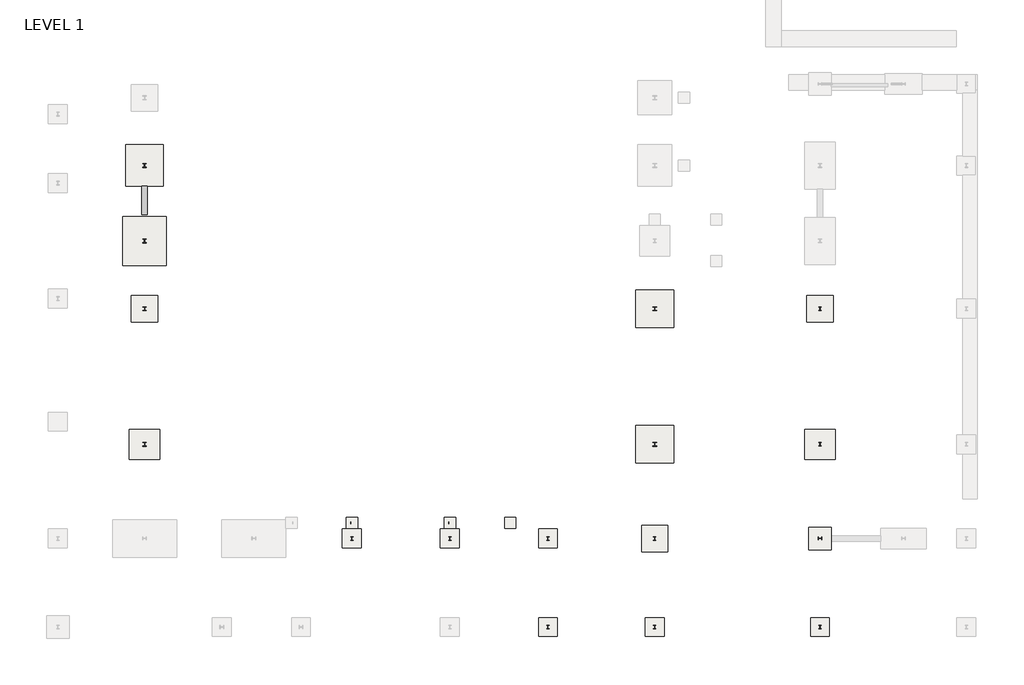
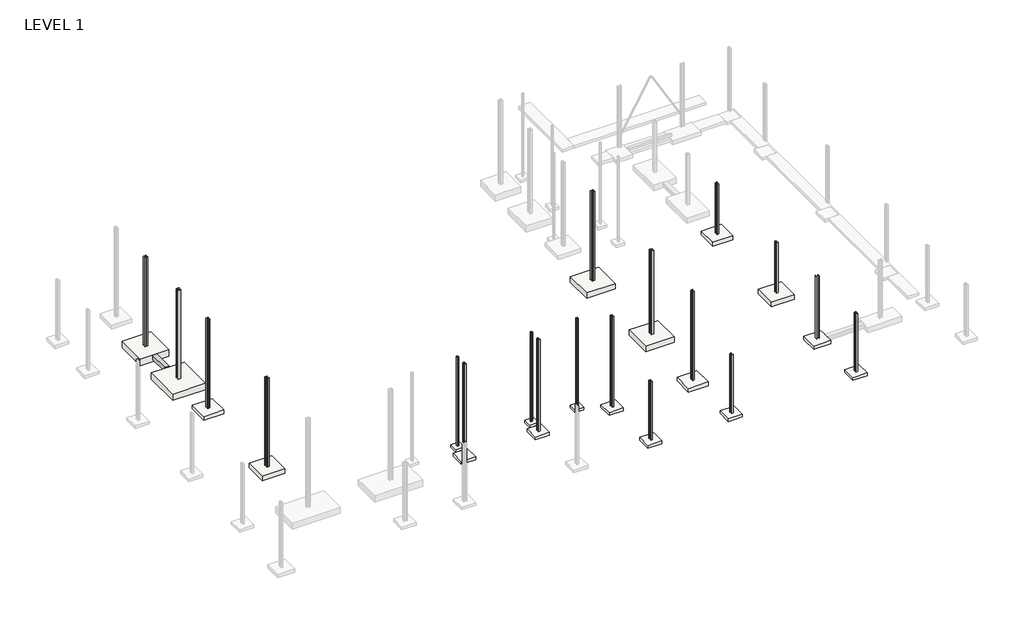
# One storey, part 15 of 20: 19 columns, 19 slabs, 1 beam.
"""IFC4 building model written with IfcOpenShell, lengths in millimetres."""

import ifcopenshell
import ifcopenshell.guid

model = None  # the IFC model being written
_history = None  # IfcOwnerHistory: only IFC2X3 demands one
_inside = {}  # id of a spatial element -> (the spatial element, [elements in it])
_under = {}  # id of a project, library or spatial element -> (it, [spatial elements below it])
_declared = {}  # id of a project -> (the project, [libraries it declares])
_typed = {}  # id of a type object -> (the type object, [elements of that type])
_made_of = {}  # id of a material, layer set ... -> (it, [elements and type objects made of it])


def new_model(schema):
    """Start an empty IFC model of exactly this schema.

    Asked for "IFC4X3", IfcOpenShell would pick the latest addendum, in which some entities
    have other attributes; the version numbers below select the first issue.
    IFC2X3 requires an IfcOwnerHistory on every rooted entity: one is made here for all.
    """
    global model, _history
    if schema == "IFC4X3":
        model = ifcopenshell.file(schema_version=(4, 3, 0, 0))
    else:
        model = ifcopenshell.file(schema=schema)
    _inside.clear()
    _under.clear()
    _declared.clear()
    _typed.clear()
    _made_of.clear()
    _history = None
    if model.schema == "IFC2X3":
        org = make("IfcOrganization", Name="unknown")
        user = make(
            "IfcPersonAndOrganization",
            ThePerson=make("IfcPerson", FamilyName="unknown"),
            TheOrganization=org,
        )
        app = make(
            "IfcApplication",
            ApplicationDeveloper=org,
            Version="unknown",
            ApplicationFullName="unknown",
            ApplicationIdentifier="unknown",
        )
        _history = make(
            "IfcOwnerHistory",
            OwningUser=user,
            OwningApplication=app,
            ChangeAction="ADDED",
            CreationDate=0,
        )
    return model


def make(cls, **values):
    """One entity of the class cls with the attributes given. An attribute that is None is left unset."""
    return model.create_entity(
        cls, **{name: value for name, value in values.items() if value is not None}
    )


def rooted(cls, **values):
    """An entity with a GlobalId (a new one), such as an element, a storey or a relation."""
    return make(cls, GlobalId=ifcopenshell.guid.new(), OwnerHistory=_history, **values)


def si_unit(unit_type, name, prefix=None):
    """IfcSIUnit, for example si_unit("LENGTHUNIT", "METRE", prefix="MILLI")."""
    return make("IfcSIUnit", UnitType=unit_type, Prefix=prefix, Name=name)


def assignment(units):
    """IfcUnitAssignment: the units of a project."""
    return None if units is None else make("IfcUnitAssignment", Units=units)


def point(xyz):
    """IfcCartesianPoint."""
    return None if xyz is None else make("IfcCartesianPoint", Coordinates=xyz)


def direction(xyz):
    """IfcDirection."""
    return None if xyz is None else make("IfcDirection", DirectionRatios=xyz)


def frame(location, z_axis=None, x_axis=None):
    """IfcAxis2Placement3D, a coordinate frame: its origin and axes. An axis left out is left unset."""
    return make(
        "IfcAxis2Placement3D",
        Location=point(location),
        Axis=direction(z_axis),
        RefDirection=direction(x_axis),
    )


def frame_2d(location, x_axis=None):
    """IfcAxis2Placement2D, a coordinate frame in the plane: its origin and x axis."""
    return make(
        "IfcAxis2Placement2D", Location=point(location), RefDirection=direction(x_axis)
    )


def origin():
    """The frame at (0, 0, 0) with its axes left unset."""
    return frame((0.0, 0.0, 0.0))


def place(relative_to, where):
    """IfcLocalPlacement: puts the frame where relative to a parent placement (None: the world)."""
    return make(
        "IfcLocalPlacement", PlacementRelTo=relative_to, RelativePlacement=where
    )


def context(
    kind, dimensions, precision=None, world=None, true_north=None, identifier=None
):
    """IfcGeometricRepresentationContext, for example the 3D "Model" context."""
    return make(
        "IfcGeometricRepresentationContext",
        ContextIdentifier=identifier,
        ContextType=kind,
        CoordinateSpaceDimension=dimensions,
        Precision=precision,
        WorldCoordinateSystem=world,
        TrueNorth=true_north,
    )


def project(units=None, contexts=None):
    """IfcProject with its units and contexts."""
    return rooted(
        "IfcProject",
        Name="project",
        RepresentationContexts=contexts,
        UnitsInContext=assignment(units),
    )


def spatial(cls, under=None, at=None, **own):
    """A site, building, storey or space (cls), placed at a placement, below another one or the project."""
    s = rooted(cls, ObjectPlacement=at, **own)
    if under is not None:
        _under.setdefault(under.id(), (under, []))[1].append(s)
    return s


def polyline(points):
    """IfcPolyline through the points."""
    return make("IfcPolyline", Points=[point(p) for p in points])


def circle_curve(where, radius):
    """IfcCircle in the frame where."""
    return make("IfcCircle", Position=where, Radius=radius)


def trimmed(basis, trim1, trim2, sense, master):
    """IfcTrimmedCurve: the piece of a basis curve between two trims."""
    return make(
        "IfcTrimmedCurve",
        BasisCurve=basis,
        Trim1=trim1,
        Trim2=trim2,
        SenseAgreement=sense,
        MasterRepresentation=master,
    )


def segment(curve, same_sense, transition):
    """IfcCompositeCurveSegment."""
    return make(
        "IfcCompositeCurveSegment",
        Transition=transition,
        SameSense=same_sense,
        ParentCurve=curve,
    )


def composite_curve(segments, self_intersect=None):
    """IfcCompositeCurve: segments joined end to end."""
    return make("IfcCompositeCurve", Segments=segments, SelfIntersect=self_intersect)


def outline(outer, holes=None, kind="AREA"):
    """IfcArbitraryClosedProfileDef: a profile drawn as a closed curve; with holes, ...WithVoids."""
    if holes is None:
        return make("IfcArbitraryClosedProfileDef", ProfileType=kind, OuterCurve=outer)
    return make(
        "IfcArbitraryProfileDefWithVoids",
        ProfileType=kind,
        OuterCurve=outer,
        InnerCurves=holes,
    )


def extrude(swept, where, along, depth):
    """IfcExtrudedAreaSolid: the profile swept, set in the frame where, extruded along a direction by depth."""
    return make(
        "IfcExtrudedAreaSolid",
        SweptArea=swept,
        Position=where,
        ExtrudedDirection=direction(along),
        Depth=depth,
    )


def faces_of(points, faces, orient=None, outer=None):
    """IfcFace entities. A face is a list of loops; a loop is a list of indices into points, from 0.

    orient and outer hold one flag for each loop. By default every Orientation is true, the
    first loop of a face is its IfcFaceOuterBound and the others are IfcFaceBound.
    """
    made = []
    for i, loops in enumerate(faces):
        bounds = []
        for j, loop in enumerate(loops):
            is_outer = j == 0 if outer is None else outer[i][j]
            bounds.append(
                make(
                    "IfcFaceOuterBound" if is_outer else "IfcFaceBound",
                    Bound=make("IfcPolyLoop", Polygon=[points[k] for k in loop]),
                    Orientation=True if orient is None else orient[i][j],
                )
            )
        made.append(make("IfcFace", Bounds=bounds))
    return made


def faceted_brep(points, faces, orient=None, outer=None, voids=None):
    """IfcFacetedBrep: a solid bounded by flat faces; with voids (closed shells), ...WithVoids."""
    shared = [point(p) for p in points]
    hull = make("IfcClosedShell", CfsFaces=faces_of(shared, faces, orient, outer))
    if voids is None:
        return make("IfcFacetedBrep", Outer=hull)
    return make(
        "IfcFacetedBrepWithVoids",
        Outer=hull,
        Voids=[
            make(cls, CfsFaces=faces_of(shared, fs, o, b)) for cls, fs, o, b in voids
        ],
    )


def shape(context_of_items, identifier, shape_type, items):
    """IfcShapeRepresentation: the items that make up one representation, for example the "Body"."""
    return make(
        "IfcShapeRepresentation",
        ContextOfItems=context_of_items,
        RepresentationIdentifier=identifier,
        RepresentationType=shape_type,
        Items=items,
    )


def source(mapping_origin, context_of_items, identifier, shape_type, items):
    """IfcRepresentationMap: a shape defined once, which mapped items show again and again."""
    return make(
        "IfcRepresentationMap",
        MappingOrigin=mapping_origin,
        MappedRepresentation=shape(context_of_items, identifier, shape_type, items),
    )


def transform(
    local_origin,
    x_axis=None,
    y_axis=None,
    z_axis=None,
    scale=None,
    scale2=None,
    scale3=None,
    uniform=True,
):
    """IfcCartesianTransformationOperator3D, or its non-uniform kind. x_axis, y_axis, z_axis: its Axis1, 2, 3."""
    if uniform:
        return make(
            "IfcCartesianTransformationOperator3D",
            Axis1=direction(x_axis),
            Axis2=direction(y_axis),
            LocalOrigin=point(local_origin),
            Scale=scale,
            Axis3=direction(z_axis),
        )
    return make(
        "IfcCartesianTransformationOperator3DnonUniform",
        Axis1=direction(x_axis),
        Axis2=direction(y_axis),
        LocalOrigin=point(local_origin),
        Scale=scale,
        Axis3=direction(z_axis),
        Scale2=scale2,
        Scale3=scale3,
    )


def mapped(mapping_source, mapping_target):
    """IfcMappedItem: shows the shape of a source again, moved by a transform."""
    return make(
        "IfcMappedItem", MappingSource=mapping_source, MappingTarget=mapping_target
    )


def made_of(thing, what):
    """Note that an element or type object is made of a material, layer set ...; save() writes the relation."""
    if what is not None:
        _made_of.setdefault(what.id(), (what, []))[1].append(thing)
    return thing


def element(
    cls,
    number,
    at=None,
    inside=None,
    cuts=None,
    type_object=None,
    material=None,
    context=None,
    identifier="Body",
    shape_type=None,
    held_by="IfcProductDefinitionShape",
    body=None,
    shapes=None,
    **own,
):
    """One element of the class cls, such as IfcWall. Its Tag is "e" and its number.

    at: its placement. inside: the storey or other place that contains it. cuts: it is an
    opening in that element (IfcRelVoidsElement). A single representation is given by context,
    identifier, shape_type and body (its items); several are given by shapes. held_by: the class
    of the entity that holds the representations. save() writes the other relations.
    """
    e = rooted(cls, Tag="e%d" % number, ObjectPlacement=at, **own)
    if body is not None:
        shapes = [shape(context, identifier, shape_type, body)]
    if shapes is not None:
        e.Representation = make(held_by, Representations=shapes)
    if inside is not None:
        _inside.setdefault(inside.id(), (inside, []))[1].append(e)
    if cuts is not None:
        rooted(
            "IfcRelVoidsElement", RelatingBuildingElement=cuts, RelatedOpeningElement=e
        )
    if type_object is not None:
        _typed.setdefault(type_object.id(), (type_object, []))[1].append(e)
    return made_of(e, material)


def aggregate(whole, parts):
    """IfcRelAggregates: a whole, such as a stair, and the parts it consists of."""
    return rooted("IfcRelAggregates", RelatingObject=whole, RelatedObjects=parts)


def save(model, path):
    """Write the relations noted so far, then the file.

    IfcRelAggregates (storeys below a building ...), IfcRelContainedInSpatialStructure (elements
    in a storey), IfcRelDefinesByType, IfcRelAssociatesMaterial and IfcRelDeclares: one each for
    every whole, place, type object, material and project.
    """
    for whole, parts in _under.values():
        aggregate(whole, parts)
    for where, things in _inside.values():
        rooted(
            "IfcRelContainedInSpatialStructure",
            RelatedElements=things,
            RelatingStructure=where,
        )
    for kind, things in _typed.values():
        rooted("IfcRelDefinesByType", RelatedObjects=things, RelatingType=kind)
    for what, things in _made_of.values():
        rooted("IfcRelAssociatesMaterial", RelatedObjects=things, RelatingMaterial=what)
    for by, libraries in _declared.values():
        rooted("IfcRelDeclares", RelatingContext=by, RelatedDefinitions=libraries)
    model.write(path)


def uc_hss_hollow_structural_section_column_hss6x6x1_4_d74c8498(model_context):
    return source(origin(), model_context, "Body", "SweptSolid", [
        extrude(outline(composite_curve([segment(trimmed(circle_curve(frame_2d((-58.5390625, 58.5390625)), 17.6609375), [point((-76.2, 58.5390625))], [point((-58.5390625, 76.2))], False, "CARTESIAN"), True, "CONTINUOUS"), segment(polyline([(-58.5390625, 76.2), (58.5390625, 76.2)]), True, "CONTINUOUS"), segment(trimmed(circle_curve(frame_2d((58.5390625, 58.5390625)), 17.6609375), [point((58.5390625, 76.2))], [point((76.2, 58.5390625))], False, "CARTESIAN"), True, "CONTINUOUS"), segment(polyline([(76.2, 58.5390625), (76.2, -58.5390625)]), True, "CONTINUOUS"), segment(trimmed(circle_curve(frame_2d((58.5390625, -58.5390625)), 17.6609375), [point((76.2, -58.5390625))], [point((58.5390625, -76.2))], False, "CARTESIAN"), True, "CONTINUOUS"), segment(polyline([(58.5390625, -76.2), (-58.5390625, -76.2)]), True, "CONTINUOUS"), segment(trimmed(circle_curve(frame_2d((-58.5390625, -58.5390625)), 17.6609375), [point((-58.5390625, -76.2))], [point((-76.2, -58.5390625))], False, "CARTESIAN"), True, "CONTINUOUS"), segment(polyline([(-76.2, -58.5390625), (-76.2, 58.5390625)]), True, "CONTINUOUS")], self_intersect=False)), frame((0.0, 0.0, 9391.65), z_axis=(0.0, 0.0, 1.0), x_axis=(1.0, 0.0, 0.0)), (0.0, 0.0, 1.0), 6.35),
        extrude(outline(composite_curve([segment(trimmed(circle_curve(frame_2d((64.3636, 64.3636)), 11.8364), [point((64.3636, 76.2))], [point((76.2, 64.3636))], False, "CARTESIAN"), True, "CONTINUOUS"), segment(polyline([(76.2, 64.3636), (76.2, -64.3636)]), True, "CONTINUOUS"), segment(trimmed(circle_curve(frame_2d((64.3636, -64.3636)), 11.8364), [point((76.2, -64.3636))], [point((64.3636, -76.2))], False, "CARTESIAN"), True, "CONTINUOUS"), segment(polyline([(64.3636, -76.2), (-64.3636, -76.2)]), True, "CONTINUOUS"), segment(trimmed(circle_curve(frame_2d((-64.3636, -64.3636)), 11.8364), [point((-64.3636, -76.2))], [point((-76.2, -64.3636))], False, "CARTESIAN"), True, "CONTINUOUS"), segment(polyline([(-76.2, -64.3636), (-76.2, 64.3636)]), True, "CONTINUOUS"), segment(trimmed(circle_curve(frame_2d((-64.3636, 64.3636)), 11.8364), [point((-76.2, 64.3636))], [point((-64.3636, 76.2))], False, "CARTESIAN"), True, "CONTINUOUS"), segment(polyline([(-64.3636, 76.2), (64.3636, 76.2)]), True, "CONTINUOUS")], self_intersect=False), holes=[composite_curve([segment(polyline([(64.3636, 70.2818), (-64.3636, 70.2818)]), True, "CONTINUOUS"), segment(trimmed(circle_curve(frame_2d((-64.3636, 64.3636)), 5.9182), [point((-64.3636, 70.2818))], [point((-70.2818, 64.3636))], True, "CARTESIAN"), True, "CONTINUOUS"), segment(polyline([(-70.2818, 64.3636), (-70.2818, -64.3636)]), True, "CONTINUOUS"), segment(trimmed(circle_curve(frame_2d((-64.3636, -64.3636)), 5.9182), [point((-70.2818, -64.3636))], [point((-64.3636, -70.2818))], True, "CARTESIAN"), True, "CONTINUOUS"), segment(polyline([(-64.3636, -70.2818), (64.3636, -70.2818)]), True, "CONTINUOUS"), segment(trimmed(circle_curve(frame_2d((64.3636, -64.3636)), 5.9182), [point((64.3636, -70.2818))], [point((70.2818, -64.3636))], True, "CARTESIAN"), True, "CONTINUOUS"), segment(polyline([(70.2818, -64.3636), (70.2818, 64.3636)]), True, "CONTINUOUS"), segment(trimmed(circle_curve(frame_2d((64.3636, 64.3636)), 5.9182), [point((70.2818, 64.3636))], [point((64.3636, 70.2818))], True, "CARTESIAN"), True, "CONTINUOUS")], self_intersect=False)]), frame((0.0, 0.0, -609.6), z_axis=(0.0, 0.0, 1.0), x_axis=(1.0, 0.0, 0.0)), (0.0, 0.0, 1.0), 10001.25),
    ])


def uc_hss_hollow_structural_section_column_hss6x6x1_4_e8c6a24d(model_context):
    return source(origin(), model_context, "Body", "SweptSolid", [
        extrude(outline(composite_curve([segment(trimmed(circle_curve(frame_2d((-58.5390625, 58.5390625)), 17.6609375), [point((-76.2, 58.5390625))], [point((-58.5390625, 76.2))], False, "CARTESIAN"), True, "CONTINUOUS"), segment(polyline([(-58.5390625, 76.2), (58.5390625, 76.2)]), True, "CONTINUOUS"), segment(trimmed(circle_curve(frame_2d((58.5390625, 58.5390625)), 17.6609375), [point((58.5390625, 76.2))], [point((76.2, 58.5390625))], False, "CARTESIAN"), True, "CONTINUOUS"), segment(polyline([(76.2, 58.5390625), (76.2, -58.5390625)]), True, "CONTINUOUS"), segment(trimmed(circle_curve(frame_2d((58.5390625, -58.5390625)), 17.6609375), [point((76.2, -58.5390625))], [point((58.5390625, -76.2))], False, "CARTESIAN"), True, "CONTINUOUS"), segment(polyline([(58.5390625, -76.2), (-58.5390625, -76.2)]), True, "CONTINUOUS"), segment(trimmed(circle_curve(frame_2d((-58.5390625, -58.5390625)), 17.6609375), [point((-58.5390625, -76.2))], [point((-76.2, -58.5390625))], False, "CARTESIAN"), True, "CONTINUOUS"), segment(polyline([(-76.2, -58.5390625), (-76.2, 58.5390625)]), True, "CONTINUOUS")], self_intersect=False)), frame((0.0, 0.0, 9493.25), z_axis=(0.0, 0.0, 1.0), x_axis=(1.0, 0.0, 0.0)), (0.0, 0.0, 1.0), 6.35),
        extrude(outline(composite_curve([segment(trimmed(circle_curve(frame_2d((64.3636, 64.3636)), 11.8364), [point((64.3636, 76.2))], [point((76.2, 64.3636))], False, "CARTESIAN"), True, "CONTINUOUS"), segment(polyline([(76.2, 64.3636), (76.2, -64.3636)]), True, "CONTINUOUS"), segment(trimmed(circle_curve(frame_2d((64.3636, -64.3636)), 11.8364), [point((76.2, -64.3636))], [point((64.3636, -76.2))], False, "CARTESIAN"), True, "CONTINUOUS"), segment(polyline([(64.3636, -76.2), (-64.3636, -76.2)]), True, "CONTINUOUS"), segment(trimmed(circle_curve(frame_2d((-64.3636, -64.3636)), 11.8364), [point((-64.3636, -76.2))], [point((-76.2, -64.3636))], False, "CARTESIAN"), True, "CONTINUOUS"), segment(polyline([(-76.2, -64.3636), (-76.2, 64.3636)]), True, "CONTINUOUS"), segment(trimmed(circle_curve(frame_2d((-64.3636, 64.3636)), 11.8364), [point((-76.2, 64.3636))], [point((-64.3636, 76.2))], False, "CARTESIAN"), True, "CONTINUOUS"), segment(polyline([(-64.3636, 76.2), (64.3636, 76.2)]), True, "CONTINUOUS")], self_intersect=False), holes=[composite_curve([segment(polyline([(64.3636, 70.2818), (-64.3636, 70.2818)]), True, "CONTINUOUS"), segment(trimmed(circle_curve(frame_2d((-64.3636, 64.3636)), 5.9182), [point((-64.3636, 70.2818))], [point((-70.2818, 64.3636))], True, "CARTESIAN"), True, "CONTINUOUS"), segment(polyline([(-70.2818, 64.3636), (-70.2818, -64.3636)]), True, "CONTINUOUS"), segment(trimmed(circle_curve(frame_2d((-64.3636, -64.3636)), 5.9182), [point((-70.2818, -64.3636))], [point((-64.3636, -70.2818))], True, "CARTESIAN"), True, "CONTINUOUS"), segment(polyline([(-64.3636, -70.2818), (64.3636, -70.2818)]), True, "CONTINUOUS"), segment(trimmed(circle_curve(frame_2d((64.3636, -64.3636)), 5.9182), [point((64.3636, -70.2818))], [point((70.2818, -64.3636))], True, "CARTESIAN"), True, "CONTINUOUS"), segment(polyline([(70.2818, -64.3636), (70.2818, 64.3636)]), True, "CONTINUOUS"), segment(trimmed(circle_curve(frame_2d((64.3636, 64.3636)), 5.9182), [point((70.2818, 64.3636))], [point((64.3636, 70.2818))], True, "CARTESIAN"), True, "CONTINUOUS")], self_intersect=False)]), frame((0.0, 0.0, -609.6), z_axis=(0.0, 0.0, 1.0), x_axis=(1.0, 0.0, 0.0)), (0.0, 0.0, 1.0), 10102.85),
    ])


def uc_spread_footings_3000_psf_bearing_f3_0_e1b4b68c(model_context):
    return source(origin(), model_context, "Body", "SweptSolid", [
        extrude(outline(polyline([(457.2, 457.2), (457.2, -457.2), (-457.2, -457.2), (-457.2, 457.2), (457.2, 457.2)])), frame((0.0, 0.0, -304.8), z_axis=(0.0, 0.0, 1.0), x_axis=(1.0, 0.0, 0.0)), (0.0, 0.0, 1.0), 304.8),
    ])


model = new_model("IFC4")

# Units and contexts
model_context = context("Model", 3, world=origin())
ifc_project = project(units=[si_unit("LENGTHUNIT", "METRE", prefix="MILLI")], contexts=[model_context])

# Site, building, storey
site = spatial("IfcSite", under=ifc_project)
building = spatial("IfcBuilding", under=site)
storey = spatial("IfcBuildingStorey", under=building, Name="LEVEL 1", Elevation=0.0)

# Beam
placement = place(None, origin())
element("IfcBeam", 1, ObjectType="Concrete-Rectangular Beam", at=placement, inside=storey, context=model_context, shape_type="SweptSolid", body=[
    extrude(outline(polyline([(6360.0389942, 36519.8554562), (5902.8389942, 36519.8554562), (5902.8389942, 38805.8554562), (6360.0389942, 38805.8554562), (6360.0389942, 36519.8554562)])), frame((0.0, 0.0, -1371.6), z_axis=(0.0, 0.0, 1.0), x_axis=(1.0, 0.0, 0.0)), (0.0, 0.0, 1.0), 457.2),
])

# Columns
uc_hss_hollow_structural_section_column_hss6x6x1_4_shape = uc_hss_hollow_structural_section_column_hss6x6x1_4_d74c8498(model_context)
element("IfcColumn", 2, ObjectType="UC HSS-Hollow Structural Section-Column : HSS6x6x1/4", at=placement, inside=storey, context=model_context, shape_type="MappedRepresentation", body=[
    mapped(uc_hss_hollow_structural_section_column_hss6x6x1_4_shape, transform((35700.6453942, 11577.0554562, 0.0), x_axis=(1.0, 0.0, 0.0), y_axis=(0.0, 1.0, 0.0), z_axis=(0.0, 0.0, 1.0))),
])
uc_hss_hollow_structural_section_column_hss6x6x1_4_2_shape = uc_hss_hollow_structural_section_column_hss6x6x1_4_e8c6a24d(model_context)
element("IfcColumn", 3, ObjectType="UC HSS-Hollow Structural Section-Column : HSS6x6x1/4", at=placement, inside=storey, context=model_context, shape_type="MappedRepresentation", body=[
    mapped(uc_hss_hollow_structural_section_column_hss6x6x1_4_2_shape, transform((22895.4389942, 11577.0554562, 0.0), x_axis=(1.0, 0.0, 0.0), y_axis=(0.0, 1.0, 0.0), z_axis=(0.0, 0.0, 1.0))),
])
element("IfcColumn", 4, ObjectType="UC HSS-Hollow Structural Section-Column : HSS6x6x1/4", at=placement, inside=storey, context=model_context, shape_type="MappedRepresentation", body=[
    mapped(uc_hss_hollow_structural_section_column_hss6x6x1_4_2_shape, transform((30820.2389942, 11577.0554562, 0.0), x_axis=(1.0, 0.0, 0.0), y_axis=(0.0, 1.0, 0.0), z_axis=(0.0, 0.0, 1.0))),
])
element("IfcColumn", 5, ObjectType="W12x106", at=placement, inside=storey, context=model_context, shape_type="SweptSolid", body=[
    extrude(outline(composite_curve([segment(polyline([(6286.3789942, 34550.0854562), (6286.3789942, 34524.9394562), (6161.6649942, 34524.9394562)]), True, "CONTINUOUS"), segment(trimmed(circle_curve(frame_2d((6161.6649942, 34502.4604562)), 22.479), [point((6161.6649942, 34524.9394562))], [point((6139.1859942, 34502.4604562))], True, "CARTESIAN"), True, "CONTINUOUS"), segment(polyline([(6139.1859942, 34502.4604562), (6139.1859942, 34270.0504562)]), True, "CONTINUOUS"), segment(trimmed(circle_curve(frame_2d((6161.6649942, 34270.0504562)), 22.479), [point((6139.1859942, 34270.0504562))], [point((6161.6649942, 34247.5714562))], True, "CARTESIAN"), True, "CONTINUOUS"), segment(polyline([(6161.6649942, 34247.5714562), (6286.3789942, 34247.5714562), (6286.3789942, 34222.4254562), (5976.4989942, 34222.4254562), (5976.4989942, 34247.5714562), (6101.2129942, 34247.5714562)]), True, "CONTINUOUS"), segment(trimmed(circle_curve(frame_2d((6101.2129942, 34270.0504562)), 22.479), [point((6101.2129942, 34247.5714562))], [point((6123.6919942, 34270.0504562))], True, "CARTESIAN"), True, "CONTINUOUS"), segment(polyline([(6123.6919942, 34270.0504562), (6123.6919942, 34502.4604562)]), True, "CONTINUOUS"), segment(trimmed(circle_curve(frame_2d((6101.2129942, 34502.4604562)), 22.479), [point((6123.6919942, 34502.4604562))], [point((6101.2129942, 34524.9394562))], True, "CARTESIAN"), True, "CONTINUOUS"), segment(polyline([(6101.2129942, 34524.9394562), (5976.4989942, 34524.9394562), (5976.4989942, 34550.0854562), (6286.3789942, 34550.0854562)]), True, "CONTINUOUS")], self_intersect=False)), frame((0.0, 0.0, -914.4), z_axis=(0.0, 0.0, 1.0), x_axis=(1.0, 0.0, 0.0)), (0.0, 0.0, 1.0), 10089.8348392),
])
element("IfcColumn", 6, ObjectType="W12x106", at=placement, inside=storey, context=model_context, shape_type="SweptSolid", body=[
    extrude(outline(composite_curve([segment(polyline([(6286.3789942, 40646.0854562), (6286.3789942, 40620.9394562), (6161.6649942, 40620.9394562)]), True, "CONTINUOUS"), segment(trimmed(circle_curve(frame_2d((6161.6649942, 40598.4604562)), 22.479), [point((6161.6649942, 40620.9394562))], [point((6139.1859942, 40598.4604562))], True, "CARTESIAN"), True, "CONTINUOUS"), segment(polyline([(6139.1859942, 40598.4604562), (6139.1859942, 40366.0504562)]), True, "CONTINUOUS"), segment(trimmed(circle_curve(frame_2d((6161.6649942, 40366.0504562)), 22.479), [point((6139.1859942, 40366.0504562))], [point((6161.6649942, 40343.5714562))], True, "CARTESIAN"), True, "CONTINUOUS"), segment(polyline([(6161.6649942, 40343.5714562), (6286.3789942, 40343.5714562), (6286.3789942, 40318.4254562), (5976.4989942, 40318.4254562), (5976.4989942, 40343.5714562), (6101.2129942, 40343.5714562)]), True, "CONTINUOUS"), segment(trimmed(circle_curve(frame_2d((6101.2129942, 40366.0504562)), 22.479), [point((6101.2129942, 40343.5714562))], [point((6123.6919942, 40366.0504562))], True, "CARTESIAN"), True, "CONTINUOUS"), segment(polyline([(6123.6919942, 40366.0504562), (6123.6919942, 40598.4604562)]), True, "CONTINUOUS"), segment(trimmed(circle_curve(frame_2d((6101.2129942, 40598.4604562)), 22.479), [point((6123.6919942, 40598.4604562))], [point((6101.2129942, 40620.9394562))], True, "CARTESIAN"), True, "CONTINUOUS"), segment(polyline([(6101.2129942, 40620.9394562), (5976.4989942, 40620.9394562), (5976.4989942, 40646.0854562), (6286.3789942, 40646.0854562)]), True, "CONTINUOUS")], self_intersect=False)), frame((0.0, 0.0, -914.4), z_axis=(0.0, 0.0, 1.0), x_axis=(1.0, 0.0, 0.0)), (0.0, 0.0, 1.0), 10089.8348392),
])
element("IfcColumn", 7, ObjectType="W12x40", at=placement, inside=storey, context=model_context, shape_type="SweptSolid", body=[
    extrude(outline(composite_curve([segment(polyline([(22997.1659942, 10458.1668517), (22997.1659942, 10445.0858517), (22921.0294942, 10445.0858517)]), True, "CONTINUOUS"), segment(trimmed(circle_curve(frame_2d((22921.0294942, 10423.2418517)), 21.844), [point((22921.0294942, 10445.0858517))], [point((22899.1854942, 10423.2418517))], True, "CARTESIAN"), True, "CONTINUOUS"), segment(polyline([(22899.1854942, 10423.2418517), (22899.1854942, 10190.8318517)]), True, "CONTINUOUS"), segment(trimmed(circle_curve(frame_2d((22921.0294942, 10190.8318517)), 21.844), [point((22899.1854942, 10190.8318517))], [point((22921.0294942, 10168.9878517))], True, "CARTESIAN"), True, "CONTINUOUS"), segment(polyline([(22921.0294942, 10168.9878517), (22997.1659942, 10168.9878517), (22997.1659942, 10155.9068517), (22793.7119942, 10155.9068517), (22793.7119942, 10168.9878517), (22869.8484942, 10168.9878517)]), True, "CONTINUOUS"), segment(trimmed(circle_curve(frame_2d((22869.8484942, 10190.8318517)), 21.844), [point((22869.8484942, 10168.9878517))], [point((22891.6924942, 10190.8318517))], True, "CARTESIAN"), True, "CONTINUOUS"), segment(polyline([(22891.6924942, 10190.8318517), (22891.6924942, 10423.2418517)]), True, "CONTINUOUS"), segment(trimmed(circle_curve(frame_2d((22869.8484942, 10423.2418517)), 21.844), [point((22891.6924942, 10423.2418517))], [point((22869.8484942, 10445.0858517))], True, "CARTESIAN"), True, "CONTINUOUS"), segment(polyline([(22869.8484942, 10445.0858517), (22793.7119942, 10445.0858517), (22793.7119942, 10458.1668517), (22997.1659942, 10458.1668517)]), True, "CONTINUOUS")], self_intersect=False)), frame((0.0, 0.0, -914.4), z_axis=(0.0, 0.0, 1.0), x_axis=(1.0, 0.0, 0.0)), (0.0, 0.0, 1.0), 10435.9503229),
])
element("IfcColumn", 8, ObjectType="W12x40", at=placement, inside=storey, context=model_context, shape_type="SweptSolid", body=[
    extrude(outline(composite_curve([segment(polyline([(30921.9659942, 10458.1668517), (30921.9659942, 10445.0858517), (30845.8294942, 10445.0858517)]), True, "CONTINUOUS"), segment(trimmed(circle_curve(frame_2d((30845.8294942, 10423.2418517)), 21.844), [point((30845.8294942, 10445.0858517))], [point((30823.9854942, 10423.2418517))], True, "CARTESIAN"), True, "CONTINUOUS"), segment(polyline([(30823.9854942, 10423.2418517), (30823.9854942, 10190.8318517)]), True, "CONTINUOUS"), segment(trimmed(circle_curve(frame_2d((30845.8294942, 10190.8318517)), 21.844), [point((30823.9854942, 10190.8318517))], [point((30845.8294942, 10168.9878517))], True, "CARTESIAN"), True, "CONTINUOUS"), segment(polyline([(30845.8294942, 10168.9878517), (30921.9659942, 10168.9878517), (30921.9659942, 10155.9068517), (30718.5119942, 10155.9068517), (30718.5119942, 10168.9878517), (30794.6484942, 10168.9878517)]), True, "CONTINUOUS"), segment(trimmed(circle_curve(frame_2d((30794.6484942, 10190.8318517)), 21.844), [point((30794.6484942, 10168.9878517))], [point((30816.4924942, 10190.8318517))], True, "CARTESIAN"), True, "CONTINUOUS"), segment(polyline([(30816.4924942, 10190.8318517), (30816.4924942, 10423.2418517)]), True, "CONTINUOUS"), segment(trimmed(circle_curve(frame_2d((30794.6484942, 10423.2418517)), 21.844), [point((30816.4924942, 10423.2418517))], [point((30794.6484942, 10445.0858517))], True, "CARTESIAN"), True, "CONTINUOUS"), segment(polyline([(30794.6484942, 10445.0858517), (30718.5119942, 10445.0858517), (30718.5119942, 10458.1668517), (30921.9659942, 10458.1668517)]), True, "CONTINUOUS")], self_intersect=False)), frame((0.0, 0.0, -914.4), z_axis=(0.0, 0.0, 1.0), x_axis=(1.0, 0.0, 0.0)), (0.0, 0.0, 1.0), 10430.1794891),
])
element("IfcColumn", 9, ObjectType="W12x40", at=placement, inside=storey, context=model_context, shape_type="SweptSolid", body=[
    extrude(outline(composite_curve([segment(polyline([(38846.7659942, 10458.1668517), (38846.7659942, 10445.0858517), (38770.6294942, 10445.0858517)]), True, "CONTINUOUS"), segment(trimmed(circle_curve(frame_2d((38770.6294942, 10423.2418517)), 21.844), [point((38770.6294942, 10445.0858517))], [point((38748.7854942, 10423.2418517))], True, "CARTESIAN"), True, "CONTINUOUS"), segment(polyline([(38748.7854942, 10423.2418517), (38748.7854942, 10190.8318517)]), True, "CONTINUOUS"), segment(trimmed(circle_curve(frame_2d((38770.6294942, 10190.8318517)), 21.844), [point((38748.7854942, 10190.8318517))], [point((38770.6294942, 10168.9878517))], True, "CARTESIAN"), True, "CONTINUOUS"), segment(polyline([(38770.6294942, 10168.9878517), (38846.7659942, 10168.9878517), (38846.7659942, 10155.9068517), (38643.3119942, 10155.9068517), (38643.3119942, 10168.9878517), (38719.4484942, 10168.9878517)]), True, "CONTINUOUS"), segment(trimmed(circle_curve(frame_2d((38719.4484942, 10190.8318517)), 21.844), [point((38719.4484942, 10168.9878517))], [point((38741.2924942, 10190.8318517))], True, "CARTESIAN"), True, "CONTINUOUS"), segment(polyline([(38741.2924942, 10190.8318517), (38741.2924942, 10423.2418517)]), True, "CONTINUOUS"), segment(trimmed(circle_curve(frame_2d((38719.4484942, 10423.2418517)), 21.844), [point((38741.2924942, 10423.2418517))], [point((38719.4484942, 10445.0858517))], True, "CARTESIAN"), True, "CONTINUOUS"), segment(polyline([(38719.4484942, 10445.0858517), (38643.3119942, 10445.0858517), (38643.3119942, 10458.1668517), (38846.7659942, 10458.1668517)]), True, "CONTINUOUS")], self_intersect=False)), frame((0.0, 0.0, -914.4), z_axis=(0.0, 0.0, 1.0), x_axis=(1.0, 0.0, 0.0)), (0.0, 0.0, 1.0), 10265.5623336),
])
element("IfcColumn", 10, ObjectType="W12x40", at=placement, inside=storey, context=model_context, shape_type="SweptSolid", body=[
    extrude(outline(composite_curve([segment(polyline([(47482.7659942, 10458.1668517), (47482.7659942, 10445.0858517), (47406.6294942, 10445.0858517)]), True, "CONTINUOUS"), segment(trimmed(circle_curve(frame_2d((47406.6294942, 10423.2418517)), 21.844), [point((47406.6294942, 10445.0858517))], [point((47384.7854942, 10423.2418517))], True, "CARTESIAN"), True, "CONTINUOUS"), segment(polyline([(47384.7854942, 10423.2418517), (47384.7854942, 10190.8318517)]), True, "CONTINUOUS"), segment(trimmed(circle_curve(frame_2d((47406.6294942, 10190.8318517)), 21.844), [point((47384.7854942, 10190.8318517))], [point((47406.6294942, 10168.9878517))], True, "CARTESIAN"), True, "CONTINUOUS"), segment(polyline([(47406.6294942, 10168.9878517), (47482.7659942, 10168.9878517), (47482.7659942, 10155.9068517), (47279.3119942, 10155.9068517), (47279.3119942, 10168.9878517), (47355.4484942, 10168.9878517)]), True, "CONTINUOUS"), segment(trimmed(circle_curve(frame_2d((47355.4484942, 10190.8318517)), 21.844), [point((47355.4484942, 10168.9878517))], [point((47377.2924942, 10190.8318517))], True, "CARTESIAN"), True, "CONTINUOUS"), segment(polyline([(47377.2924942, 10190.8318517), (47377.2924942, 10423.2418517)]), True, "CONTINUOUS"), segment(trimmed(circle_curve(frame_2d((47355.4484942, 10423.2418517)), 21.844), [point((47377.2924942, 10423.2418517))], [point((47355.4484942, 10445.0858517))], True, "CARTESIAN"), True, "CONTINUOUS"), segment(polyline([(47355.4484942, 10445.0858517), (47279.3119942, 10445.0858517), (47279.3119942, 10458.1668517), (47482.7659942, 10458.1668517)]), True, "CONTINUOUS")], self_intersect=False)), frame((0.0, 0.0, -914.4), z_axis=(0.0, 0.0, 1.0), x_axis=(1.0, 0.0, 0.0)), (0.0, 0.0, 1.0), 10088.2849582),
])
element("IfcColumn", 11, ObjectType="W12x40", at=placement, inside=storey, context=model_context, shape_type="SweptSolid", body=[
    extrude(outline(composite_curve([segment(polyline([(60843.1659942, 29050.9854562), (60843.1659942, 29037.9044562), (60767.0294942, 29037.9044562)]), True, "CONTINUOUS"), segment(trimmed(circle_curve(frame_2d((60767.0294942, 29016.0604562)), 21.844), [point((60767.0294942, 29037.9044562))], [point((60745.1854942, 29016.0604562))], True, "CARTESIAN"), True, "CONTINUOUS"), segment(polyline([(60745.1854942, 29016.0604562), (60745.1854942, 28783.6504562)]), True, "CONTINUOUS"), segment(trimmed(circle_curve(frame_2d((60767.0294942, 28783.6504562)), 21.844), [point((60745.1854942, 28783.6504562))], [point((60767.0294942, 28761.8064562))], True, "CARTESIAN"), True, "CONTINUOUS"), segment(polyline([(60767.0294942, 28761.8064562), (60843.1659942, 28761.8064562), (60843.1659942, 28748.7254562), (60639.7119942, 28748.7254562), (60639.7119942, 28761.8064562), (60715.8484942, 28761.8064562)]), True, "CONTINUOUS"), segment(trimmed(circle_curve(frame_2d((60715.8484942, 28783.6504562)), 21.844), [point((60715.8484942, 28761.8064562))], [point((60737.6924942, 28783.6504562))], True, "CARTESIAN"), True, "CONTINUOUS"), segment(polyline([(60737.6924942, 28783.6504562), (60737.6924942, 29016.0604562)]), True, "CONTINUOUS"), segment(trimmed(circle_curve(frame_2d((60715.8484942, 29016.0604562)), 21.844), [point((60737.6924942, 29016.0604562))], [point((60715.8484942, 29037.9044562))], True, "CARTESIAN"), True, "CONTINUOUS"), segment(polyline([(60715.8484942, 29037.9044562), (60639.7119942, 29037.9044562), (60639.7119942, 29050.9854562), (60843.1659942, 29050.9854562)]), True, "CONTINUOUS")], self_intersect=False)), frame((0.0, 0.0, -304.8), z_axis=(0.0, 0.0, 1.0), x_axis=(1.0, 0.0, 0.0)), (0.0, 0.0, 1.0), 5711.5795373),
])
element("IfcColumn", 12, ObjectType="W12x40", at=placement, inside=storey, context=model_context, shape_type="SweptSolid", body=[
    extrude(outline(composite_curve([segment(polyline([(60843.1659942, 18078.1854562), (60843.1659942, 18065.1044562), (60767.0294942, 18065.1044562)]), True, "CONTINUOUS"), segment(trimmed(circle_curve(frame_2d((60767.0294942, 18043.2604562)), 21.844), [point((60767.0294942, 18065.1044562))], [point((60745.1854942, 18043.2604562))], True, "CARTESIAN"), True, "CONTINUOUS"), segment(polyline([(60745.1854942, 18043.2604562), (60745.1854942, 17810.8504562)]), True, "CONTINUOUS"), segment(trimmed(circle_curve(frame_2d((60767.0294942, 17810.8504562)), 21.844), [point((60745.1854942, 17810.8504562))], [point((60767.0294942, 17789.0064562))], True, "CARTESIAN"), True, "CONTINUOUS"), segment(polyline([(60767.0294942, 17789.0064562), (60843.1659942, 17789.0064562), (60843.1659942, 17775.9254562), (60639.7119942, 17775.9254562), (60639.7119942, 17789.0064562), (60715.8484942, 17789.0064562)]), True, "CONTINUOUS"), segment(trimmed(circle_curve(frame_2d((60715.8484942, 17810.8504562)), 21.844), [point((60715.8484942, 17789.0064562))], [point((60737.6924942, 17810.8504562))], True, "CARTESIAN"), True, "CONTINUOUS"), segment(polyline([(60737.6924942, 17810.8504562), (60737.6924942, 18043.2604562)]), True, "CONTINUOUS"), segment(trimmed(circle_curve(frame_2d((60715.8484942, 18043.2604562)), 21.844), [point((60737.6924942, 18043.2604562))], [point((60715.8484942, 18065.1044562))], True, "CARTESIAN"), True, "CONTINUOUS"), segment(polyline([(60715.8484942, 18065.1044562), (60639.7119942, 18065.1044562), (60639.7119942, 18078.1854562), (60843.1659942, 18078.1854562)]), True, "CONTINUOUS")], self_intersect=False)), frame((0.0, 0.0, -304.8), z_axis=(0.0, 0.0, 1.0), x_axis=(1.0, 0.0, 0.0)), (0.0, 0.0, 1.0), 5711.5795373),
])
element("IfcColumn", 13, ObjectType="W12x40", at=placement, inside=storey, context=model_context, shape_type="SweptSolid", body=[
    extrude(outline(composite_curve([segment(polyline([(47482.7659942, 3295.3668517), (47482.7659942, 3282.2858517), (47406.6294942, 3282.2858517)]), True, "CONTINUOUS"), segment(trimmed(circle_curve(frame_2d((47406.6294942, 3260.4418517)), 21.844), [point((47406.6294942, 3282.2858517))], [point((47384.7854942, 3260.4418517))], True, "CARTESIAN"), True, "CONTINUOUS"), segment(polyline([(47384.7854942, 3260.4418517), (47384.7854942, 3028.0318517)]), True, "CONTINUOUS"), segment(trimmed(circle_curve(frame_2d((47406.6294942, 3028.0318517)), 21.844), [point((47384.7854942, 3028.0318517))], [point((47406.6294942, 3006.1878517))], True, "CARTESIAN"), True, "CONTINUOUS"), segment(polyline([(47406.6294942, 3006.1878517), (47482.7659942, 3006.1878517), (47482.7659942, 2993.1068517), (47279.3119942, 2993.1068517), (47279.3119942, 3006.1878517), (47355.4484942, 3006.1878517)]), True, "CONTINUOUS"), segment(trimmed(circle_curve(frame_2d((47355.4484942, 3028.0318517)), 21.844), [point((47355.4484942, 3006.1878517))], [point((47377.2924942, 3028.0318517))], True, "CARTESIAN"), True, "CONTINUOUS"), segment(polyline([(47377.2924942, 3028.0318517), (47377.2924942, 3260.4418517)]), True, "CONTINUOUS"), segment(trimmed(circle_curve(frame_2d((47355.4484942, 3260.4418517)), 21.844), [point((47377.2924942, 3260.4418517))], [point((47355.4484942, 3282.2858517))], True, "CARTESIAN"), True, "CONTINUOUS"), segment(polyline([(47355.4484942, 3282.2858517), (47279.3119942, 3282.2858517), (47279.3119942, 3295.3668517), (47482.7659942, 3295.3668517)]), True, "CONTINUOUS")], self_intersect=False)), frame((0.0, 0.0, -304.8), z_axis=(0.0, 0.0, 1.0), x_axis=(1.0, 0.0, 0.0)), (0.0, 0.0, 1.0), 6632.7033917),
])
element("IfcColumn", 14, ObjectType="W12x40", at=placement, inside=storey, context=model_context, shape_type="SweptSolid", body=[
    extrude(outline(composite_curve([segment(polyline([(60843.1659942, 3295.3668517), (60843.1659942, 3282.2858517), (60767.0294942, 3282.2858517)]), True, "CONTINUOUS"), segment(trimmed(circle_curve(frame_2d((60767.0294942, 3260.4418517)), 21.844), [point((60767.0294942, 3282.2858517))], [point((60745.1854942, 3260.4418517))], True, "CARTESIAN"), True, "CONTINUOUS"), segment(polyline([(60745.1854942, 3260.4418517), (60745.1854942, 3028.0318517)]), True, "CONTINUOUS"), segment(trimmed(circle_curve(frame_2d((60767.0294942, 3028.0318517)), 21.844), [point((60745.1854942, 3028.0318517))], [point((60767.0294942, 3006.1878517))], True, "CARTESIAN"), True, "CONTINUOUS"), segment(polyline([(60767.0294942, 3006.1878517), (60843.1659942, 3006.1878517), (60843.1659942, 2993.1068517), (60639.7119942, 2993.1068517), (60639.7119942, 3006.1878517), (60715.8484942, 3006.1878517)]), True, "CONTINUOUS"), segment(trimmed(circle_curve(frame_2d((60715.8484942, 3028.0318517)), 21.844), [point((60715.8484942, 3006.1878517))], [point((60737.6924942, 3028.0318517))], True, "CARTESIAN"), True, "CONTINUOUS"), segment(polyline([(60737.6924942, 3028.0318517), (60737.6924942, 3260.4418517)]), True, "CONTINUOUS"), segment(trimmed(circle_curve(frame_2d((60715.8484942, 3260.4418517)), 21.844), [point((60737.6924942, 3260.4418517))], [point((60715.8484942, 3282.2858517))], True, "CARTESIAN"), True, "CONTINUOUS"), segment(polyline([(60715.8484942, 3282.2858517), (60639.7119942, 3282.2858517), (60639.7119942, 3295.3668517), (60843.1659942, 3295.3668517)]), True, "CONTINUOUS")], self_intersect=False)), frame((0.0, 0.0, -304.8), z_axis=(0.0, 0.0, 1.0), x_axis=(1.0, 0.0, 0.0)), (0.0, 0.0, 1.0), 6632.7033917),
])
element("IfcColumn", 15, ObjectType="W12x40", at=placement, inside=storey, context=model_context, shape_type="SweptSolid", body=[
    extrude(outline(composite_curve([segment(polyline([(38846.7659942, 3295.3668517), (38846.7659942, 3282.2858517), (38770.6294942, 3282.2858517)]), True, "CONTINUOUS"), segment(trimmed(circle_curve(frame_2d((38770.6294942, 3260.4418517)), 21.844), [point((38770.6294942, 3282.2858517))], [point((38748.7854942, 3260.4418517))], True, "CARTESIAN"), True, "CONTINUOUS"), segment(polyline([(38748.7854942, 3260.4418517), (38748.7854942, 3028.0318517)]), True, "CONTINUOUS"), segment(trimmed(circle_curve(frame_2d((38770.6294942, 3028.0318517)), 21.844), [point((38748.7854942, 3028.0318517))], [point((38770.6294942, 3006.1878517))], True, "CARTESIAN"), True, "CONTINUOUS"), segment(polyline([(38770.6294942, 3006.1878517), (38846.7659942, 3006.1878517), (38846.7659942, 2993.1068517), (38643.3119942, 2993.1068517), (38643.3119942, 3006.1878517), (38719.4484942, 3006.1878517)]), True, "CONTINUOUS"), segment(trimmed(circle_curve(frame_2d((38719.4484942, 3028.0318517)), 21.844), [point((38719.4484942, 3006.1878517))], [point((38741.2924942, 3028.0318517))], True, "CARTESIAN"), True, "CONTINUOUS"), segment(polyline([(38741.2924942, 3028.0318517), (38741.2924942, 3260.4418517)]), True, "CONTINUOUS"), segment(trimmed(circle_curve(frame_2d((38719.4484942, 3260.4418517)), 21.844), [point((38741.2924942, 3260.4418517))], [point((38719.4484942, 3282.2858517))], True, "CARTESIAN"), True, "CONTINUOUS"), segment(polyline([(38719.4484942, 3282.2858517), (38643.3119942, 3282.2858517), (38643.3119942, 3295.3668517), (38846.7659942, 3295.3668517)]), True, "CONTINUOUS")], self_intersect=False)), frame((0.0, 0.0, -304.8), z_axis=(0.0, 0.0, 1.0), x_axis=(1.0, 0.0, 0.0)), (0.0, 0.0, 1.0), 6632.7033917),
])
element("IfcColumn", 16, ObjectType="W12x53", at=placement, inside=storey, context=model_context, shape_type="SweptSolid", body=[
    extrude(outline(composite_curve([segment(polyline([(6258.4389942, 29053.5254562), (6258.4389942, 29038.9204562), (6156.1404942, 29038.9204562)]), True, "CONTINUOUS"), segment(trimmed(circle_curve(frame_2d((6156.1404942, 29018.6004562)), 20.32), [point((6156.1404942, 29038.9204562))], [point((6135.8204942, 29018.6004562))], True, "CARTESIAN"), True, "CONTINUOUS"), segment(polyline([(6135.8204942, 29018.6004562), (6135.8204942, 28781.1104562)]), True, "CONTINUOUS"), segment(trimmed(circle_curve(frame_2d((6156.1404942, 28781.1104562)), 20.32), [point((6135.8204942, 28781.1104562))], [point((6156.1404942, 28760.7904562))], True, "CARTESIAN"), True, "CONTINUOUS"), segment(polyline([(6156.1404942, 28760.7904562), (6258.4389942, 28760.7904562), (6258.4389942, 28746.1854562), (6004.4389942, 28746.1854562), (6004.4389942, 28760.7904562), (6106.7374942, 28760.7904562)]), True, "CONTINUOUS"), segment(trimmed(circle_curve(frame_2d((6106.7374942, 28781.1104562)), 20.32), [point((6106.7374942, 28760.7904562))], [point((6127.0574942, 28781.1104562))], True, "CARTESIAN"), True, "CONTINUOUS"), segment(polyline([(6127.0574942, 28781.1104562), (6127.0574942, 29018.6004562)]), True, "CONTINUOUS"), segment(trimmed(circle_curve(frame_2d((6106.7374942, 29018.6004562)), 20.32), [point((6127.0574942, 29018.6004562))], [point((6106.7374942, 29038.9204562))], True, "CARTESIAN"), True, "CONTINUOUS"), segment(polyline([(6106.7374942, 29038.9204562), (6004.4389942, 29038.9204562), (6004.4389942, 29053.5254562), (6258.4389942, 29053.5254562)]), True, "CONTINUOUS")], self_intersect=False)), frame((0.0, 0.0, -914.4), z_axis=(0.0, 0.0, 1.0), x_axis=(1.0, 0.0, 0.0)), (0.0, 0.0, 1.0), 10087.1967438),
])
element("IfcColumn", 17, ObjectType="W12x53", at=placement, inside=storey, context=model_context, shape_type="SweptSolid", body=[
    extrude(outline(composite_curve([segment(polyline([(6258.4389942, 18080.7254562), (6258.4389942, 18066.1204562), (6156.1404942, 18066.1204562)]), True, "CONTINUOUS"), segment(trimmed(circle_curve(frame_2d((6156.1404942, 18045.8004562)), 20.32), [point((6156.1404942, 18066.1204562))], [point((6135.8204942, 18045.8004562))], True, "CARTESIAN"), True, "CONTINUOUS"), segment(polyline([(6135.8204942, 18045.8004562), (6135.8204942, 17808.3104562)]), True, "CONTINUOUS"), segment(trimmed(circle_curve(frame_2d((6156.1404942, 17808.3104562)), 20.32), [point((6135.8204942, 17808.3104562))], [point((6156.1404942, 17787.9904562))], True, "CARTESIAN"), True, "CONTINUOUS"), segment(polyline([(6156.1404942, 17787.9904562), (6258.4389942, 17787.9904562), (6258.4389942, 17773.3854562), (6004.4389942, 17773.3854562), (6004.4389942, 17787.9904562), (6106.7374942, 17787.9904562)]), True, "CONTINUOUS"), segment(trimmed(circle_curve(frame_2d((6106.7374942, 17808.3104562)), 20.32), [point((6106.7374942, 17787.9904562))], [point((6127.0574942, 17808.3104562))], True, "CARTESIAN"), True, "CONTINUOUS"), segment(polyline([(6127.0574942, 17808.3104562), (6127.0574942, 18045.8004562)]), True, "CONTINUOUS"), segment(trimmed(circle_curve(frame_2d((6106.7374942, 18045.8004562)), 20.32), [point((6127.0574942, 18045.8004562))], [point((6106.7374942, 18066.1204562))], True, "CARTESIAN"), True, "CONTINUOUS"), segment(polyline([(6106.7374942, 18066.1204562), (6004.4389942, 18066.1204562), (6004.4389942, 18080.7254562), (6258.4389942, 18080.7254562)]), True, "CONTINUOUS")], self_intersect=False)), frame((0.0, 0.0, -914.4), z_axis=(0.0, 0.0, 1.0), x_axis=(1.0, 0.0, 0.0)), (0.0, 0.0, 1.0), 10087.1967438),
])
element("IfcColumn", 18, ObjectType="W12x53", at=placement, inside=storey, context=model_context, shape_type="SweptSolid", body=[
    extrude(outline(composite_curve([segment(polyline([(60587.7689942, 10434.0368517), (60602.3739942, 10434.0368517), (60602.3739942, 10331.7383517)]), True, "CONTINUOUS"), segment(trimmed(circle_curve(frame_2d((60622.6939942, 10331.7383517)), 20.32), [point((60602.3739942, 10331.7383517))], [point((60622.6939942, 10311.4183517))], True, "CARTESIAN"), True, "CONTINUOUS"), segment(polyline([(60622.6939942, 10311.4183517), (60860.1839942, 10311.4183517)]), True, "CONTINUOUS"), segment(trimmed(circle_curve(frame_2d((60860.1839942, 10331.7383517)), 20.32), [point((60860.1839942, 10311.4183517))], [point((60880.5039942, 10331.7383517))], True, "CARTESIAN"), True, "CONTINUOUS"), segment(polyline([(60880.5039942, 10331.7383517), (60880.5039942, 10434.0368517), (60895.1089942, 10434.0368517), (60895.1089942, 10180.0368517), (60880.5039942, 10180.0368517), (60880.5039942, 10282.3353517)]), True, "CONTINUOUS"), segment(trimmed(circle_curve(frame_2d((60860.1839942, 10282.3353517)), 20.32), [point((60880.5039942, 10282.3353517))], [point((60860.1839942, 10302.6553517))], True, "CARTESIAN"), True, "CONTINUOUS"), segment(polyline([(60860.1839942, 10302.6553517), (60622.6939942, 10302.6553517)]), True, "CONTINUOUS"), segment(trimmed(circle_curve(frame_2d((60622.6939942, 10282.3353517)), 20.32), [point((60622.6939942, 10302.6553517))], [point((60602.3739942, 10282.3353517))], True, "CARTESIAN"), True, "CONTINUOUS"), segment(polyline([(60602.3739942, 10282.3353517), (60602.3739942, 10180.0368517), (60587.7689942, 10180.0368517), (60587.7689942, 10434.0368517)]), True, "CONTINUOUS")], self_intersect=False)), frame((0.0, 0.0, -914.4), z_axis=(0.0, 0.0, 1.0), x_axis=(1.0, 0.0, 0.0)), (0.0, 0.0, 1.0), 7094.016047),
])
element("IfcColumn", 19, ObjectType="W12x65", at=placement, inside=storey, context=model_context, shape_type="SweptSolid", body=[
    extrude(outline(composite_curve([segment(polyline([(47533.4389942, 29053.5254562), (47533.4389942, 29038.1584562), (47408.7249942, 29038.1584562)]), True, "CONTINUOUS"), segment(trimmed(circle_curve(frame_2d((47408.7249942, 29015.4254562)), 22.733), [point((47408.7249942, 29038.1584562))], [point((47385.9919942, 29015.4254562))], True, "CARTESIAN"), True, "CONTINUOUS"), segment(polyline([(47385.9919942, 29015.4254562), (47385.9919942, 28784.2854562)]), True, "CONTINUOUS"), segment(trimmed(circle_curve(frame_2d((47408.7249942, 28784.2854562)), 22.733), [point((47385.9919942, 28784.2854562))], [point((47408.7249942, 28761.5524562))], True, "CARTESIAN"), True, "CONTINUOUS"), segment(polyline([(47408.7249942, 28761.5524562), (47533.4389942, 28761.5524562), (47533.4389942, 28746.1854562), (47228.6389942, 28746.1854562), (47228.6389942, 28761.5524562), (47353.3529942, 28761.5524562)]), True, "CONTINUOUS"), segment(trimmed(circle_curve(frame_2d((47353.3529942, 28784.2854562)), 22.733), [point((47353.3529942, 28761.5524562))], [point((47376.0859942, 28784.2854562))], True, "CARTESIAN"), True, "CONTINUOUS"), segment(polyline([(47376.0859942, 28784.2854562), (47376.0859942, 29015.4254562)]), True, "CONTINUOUS"), segment(trimmed(circle_curve(frame_2d((47353.3529942, 29015.4254562)), 22.733), [point((47376.0859942, 29015.4254562))], [point((47353.3529942, 29038.1584562))], True, "CARTESIAN"), True, "CONTINUOUS"), segment(polyline([(47353.3529942, 29038.1584562), (47228.6389942, 29038.1584562), (47228.6389942, 29053.5254562), (47533.4389942, 29053.5254562)]), True, "CONTINUOUS")], self_intersect=False)), frame((0.0, 0.0, -914.4), z_axis=(0.0, 0.0, 1.0), x_axis=(1.0, 0.0, 0.0)), (0.0, 0.0, 1.0), 10088.2849582),
])
element("IfcColumn", 20, ObjectType="W12x65", at=placement, inside=storey, context=model_context, shape_type="SweptSolid", body=[
    extrude(outline(composite_curve([segment(polyline([(47533.4389942, 18080.7254562), (47533.4389942, 18065.3584562), (47408.7249942, 18065.3584562)]), True, "CONTINUOUS"), segment(trimmed(circle_curve(frame_2d((47408.7249942, 18042.6254562)), 22.733), [point((47408.7249942, 18065.3584562))], [point((47385.9919942, 18042.6254562))], True, "CARTESIAN"), True, "CONTINUOUS"), segment(polyline([(47385.9919942, 18042.6254562), (47385.9919942, 17811.4854562)]), True, "CONTINUOUS"), segment(trimmed(circle_curve(frame_2d((47408.7249942, 17811.4854562)), 22.733), [point((47385.9919942, 17811.4854562))], [point((47408.7249942, 17788.7524562))], True, "CARTESIAN"), True, "CONTINUOUS"), segment(polyline([(47408.7249942, 17788.7524562), (47533.4389942, 17788.7524562), (47533.4389942, 17773.3854562), (47228.6389942, 17773.3854562), (47228.6389942, 17788.7524562), (47353.3529942, 17788.7524562)]), True, "CONTINUOUS"), segment(trimmed(circle_curve(frame_2d((47353.3529942, 17811.4854562)), 22.733), [point((47353.3529942, 17788.7524562))], [point((47376.0859942, 17811.4854562))], True, "CARTESIAN"), True, "CONTINUOUS"), segment(polyline([(47376.0859942, 17811.4854562), (47376.0859942, 18042.6254562)]), True, "CONTINUOUS"), segment(trimmed(circle_curve(frame_2d((47353.3529942, 18042.6254562)), 22.733), [point((47376.0859942, 18042.6254562))], [point((47353.3529942, 18065.3584562))], True, "CARTESIAN"), True, "CONTINUOUS"), segment(polyline([(47353.3529942, 18065.3584562), (47228.6389942, 18065.3584562), (47228.6389942, 18080.7254562), (47533.4389942, 18080.7254562)]), True, "CONTINUOUS")], self_intersect=False)), frame((0.0, 0.0, -304.8), z_axis=(0.0, 0.0, 1.0), x_axis=(1.0, 0.0, 0.0)), (0.0, 0.0, 1.0), 9478.6849582),
])

# Slabs
element("IfcSlab", 21, ObjectType="UC Spread Footings (3000 PSF Bearing) : F10.0", at=placement, inside=storey, context=model_context, shape_type="SweptSolid", body=[
    extrude(outline(polyline([(48905.0389942, 19451.0554562), (48905.0389942, 16403.0554562), (45857.0389942, 16403.0554562), (45857.0389942, 19451.0554562), (48905.0389942, 19451.0554562)])), frame((0.0, 0.0, -914.4), z_axis=(0.0, 0.0, 1.0), x_axis=(1.0, 0.0, 0.0)), (0.0, 0.0, 1.0), 609.6),
])
element("IfcSlab", 22, ObjectType="UC Spread Footings (3000 PSF Bearing) : F10.0", at=placement, inside=storey, context=model_context, shape_type="SweptSolid", body=[
    extrude(outline(polyline([(48905.0389942, 30423.8554562), (48905.0389942, 27375.8554562), (45857.0389942, 27375.8554562), (45857.0389942, 30423.8554562), (48905.0389942, 30423.8554562)])), frame((0.0, 0.0, -1524.0), z_axis=(0.0, 0.0, 1.0), x_axis=(1.0, 0.0, 0.0)), (0.0, 0.0, 1.0), 609.6),
])
element("IfcSlab", 23, ObjectType="UC Spread Footings (3000 PSF Bearing) : F11.0x10.0", at=placement, inside=storey, context=model_context, shape_type="Brep", body=[
    faceted_brep([(7655.4389942, 38805.8554562, -914.4), (7655.4389942, 42158.6554562, -914.4), (4607.4389942, 42158.6554562, -914.4), (4607.4389942, 38805.8554562, -914.4), (5902.8389942, 38805.8554562, -914.4), (6360.0389942, 38805.8554562, -914.4), (7655.4389942, 38805.8554562, -1625.6), (4607.4389942, 38805.8554562, -1625.6), (4607.4389942, 42158.6554562, -1625.6), (7655.4389942, 42158.6554562, -1625.6)], [[[0, 1, 2, 3, 4, 5]], [[6, 7, 8, 9]], [[1, 0, 6, 9]], [[2, 1, 9, 8]], [[3, 2, 8, 7]], [[0, 5, 4, 3, 7, 6]]]),
])
element("IfcSlab", 24, ObjectType="UC Spread Footings (3000 PSF Bearing) : F13.0x11.5", at=placement, inside=storey, context=model_context, shape_type="SweptSolid", body=[
    extrude(outline(polyline([(7884.0389942, 32405.0554562), (4378.8389942, 32405.0554562), (4378.8389942, 36367.4554562), (7884.0389942, 36367.4554562), (7884.0389942, 32405.0554562)])), frame((0.0, 0.0, -1625.6), z_axis=(0.0, 0.0, 1.0), x_axis=(1.0, 0.0, 0.0)), (0.0, 0.0, 1.0), 711.2),
])
uc_spread_footings_3000_psf_bearing_f3_0_shape = uc_spread_footings_3000_psf_bearing_f3_0_e1b4b68c(model_context)
element("IfcSlab", 25, ObjectType="UC Spread Footings (3000 PSF Bearing) : F3.0", at=placement, inside=storey, context=model_context, shape_type="MappedRepresentation", body=[
    mapped(uc_spread_footings_3000_psf_bearing_f3_0_shape, transform((35700.6453942, 11577.0554562, -609.6), x_axis=(1.0, 0.0, 0.0), y_axis=(0.0, 1.0, 0.0), z_axis=(0.0, 0.0, 1.0))),
])
element("IfcSlab", 26, ObjectType="UC Spread Footings (3000 PSF Bearing) : F3.0", at=placement, inside=storey, context=model_context, shape_type="MappedRepresentation", body=[
    mapped(uc_spread_footings_3000_psf_bearing_f3_0_shape, transform((30820.2389942, 11577.0554562, -609.6), x_axis=(1.0, 0.0, 0.0), y_axis=(0.0, 1.0, 0.0), z_axis=(0.0, 0.0, 1.0))),
])
element("IfcSlab", 27, ObjectType="UC Spread Footings (3000 PSF Bearing) : F3.0", at=placement, inside=storey, context=model_context, shape_type="MappedRepresentation", body=[
    mapped(uc_spread_footings_3000_psf_bearing_f3_0_shape, transform((22895.4389942, 11577.0554562, -609.6), x_axis=(1.0, 0.0, 0.0), y_axis=(0.0, 1.0, 0.0), z_axis=(0.0, 0.0, 1.0))),
])
element("IfcSlab", 28, ObjectType="UC Spread Footings (3000 PSF Bearing) : F5.0A", at=placement, inside=storey, context=model_context, shape_type="SweptSolid", body=[
    extrude(outline(polyline([(39507.0389942, 3906.2368517), (39507.0389942, 2382.2368517), (37983.0389942, 2382.2368517), (37983.0389942, 3906.2368517), (39507.0389942, 3906.2368517)])), frame((0.0, 0.0, -609.6), z_axis=(0.0, 0.0, 1.0), x_axis=(1.0, 0.0, 0.0)), (0.0, 0.0, 1.0), 304.8),
])
element("IfcSlab", 29, ObjectType="UC Spread Footings (3000 PSF Bearing) : F5.0A", at=placement, inside=storey, context=model_context, shape_type="SweptSolid", body=[
    extrude(outline(polyline([(48143.0389942, 3906.2368517), (48143.0389942, 2382.2368517), (46619.0389942, 2382.2368517), (46619.0389942, 3906.2368517), (48143.0389942, 3906.2368517)])), frame((0.0, 0.0, -609.6), z_axis=(0.0, 0.0, 1.0), x_axis=(1.0, 0.0, 0.0)), (0.0, 0.0, 1.0), 304.8),
])
element("IfcSlab", 30, ObjectType="UC Spread Footings (3000 PSF Bearing) : F5.0A", at=placement, inside=storey, context=model_context, shape_type="SweptSolid", body=[
    extrude(outline(polyline([(61503.4389942, 3906.2368517), (61503.4389942, 2382.2368517), (59979.4389942, 2382.2368517), (59979.4389942, 3906.2368517), (61503.4389942, 3906.2368517)])), frame((0.0, 0.0, -609.6), z_axis=(0.0, 0.0, 1.0), x_axis=(1.0, 0.0, 0.0)), (0.0, 0.0, 1.0), 304.8),
])
element("IfcSlab", 31, ObjectType="UC Spread Footings (3000 PSF Bearing) : F5.0A", at=placement, inside=storey, context=model_context, shape_type="SweptSolid", body=[
    extrude(outline(polyline([(22133.4389942, 11069.0368517), (23657.4389942, 11069.0368517), (23657.4389942, 9545.0368517), (22133.4389942, 9545.0368517), (22133.4389942, 11069.0368517)])), frame((0.0, 0.0, -1219.2), z_axis=(0.0, 0.0, 1.0), x_axis=(1.0, 0.0, 0.0)), (0.0, 0.0, 1.0), 304.8),
])
element("IfcSlab", 32, ObjectType="UC Spread Footings (3000 PSF Bearing) : F5.0A", at=placement, inside=storey, context=model_context, shape_type="SweptSolid", body=[
    extrude(outline(polyline([(30058.2389942, 11069.0368517), (31582.2389942, 11069.0368517), (31582.2389942, 9545.0368517), (30058.2389942, 9545.0368517), (30058.2389942, 11069.0368517)])), frame((0.0, 0.0, -1219.2), z_axis=(0.0, 0.0, 1.0), x_axis=(1.0, 0.0, 0.0)), (0.0, 0.0, 1.0), 304.8),
])
element("IfcSlab", 33, ObjectType="UC Spread Footings (3000 PSF Bearing) : F5.0A", at=placement, inside=storey, context=model_context, shape_type="SweptSolid", body=[
    extrude(outline(polyline([(37983.0389942, 11069.0368517), (39507.0389942, 11069.0368517), (39507.0389942, 9545.0368517), (37983.0389942, 9545.0368517), (37983.0389942, 11069.0368517)])), frame((0.0, 0.0, -1219.2), z_axis=(0.0, 0.0, 1.0), x_axis=(1.0, 0.0, 0.0)), (0.0, 0.0, 1.0), 304.8),
])
element("IfcSlab", 34, ObjectType="UC Spread Footings (3000 PSF Bearing) : F6.0A", at=placement, inside=storey, context=model_context, shape_type="Brep", body=[
    faceted_brep([(59827.0389942, 11221.4368517, -914.4), (59827.0389942, 9392.6368517, -914.4), (61655.8389942, 9392.6368517, -914.4), (61655.8389942, 10078.4368517, -914.4), (61655.8389942, 10535.6368517, -914.4), (61655.8389942, 11221.4368517, -914.4), (59827.0389942, 11221.4368517, -1295.4), (61655.8389942, 11221.4368517, -1295.4), (61655.8389942, 9392.6368517, -1295.4), (59827.0389942, 9392.6368517, -1295.4)], [[[0, 1, 2, 3, 4, 5]], [[6, 7, 8, 9]], [[1, 0, 6, 9]], [[2, 1, 9, 8]], [[5, 4, 3, 2, 8, 7]], [[0, 5, 7, 6]]]),
])
element("IfcSlab", 35, ObjectType="UC Spread Footings (3000 PSF Bearing) : F7.0A", at=placement, inside=storey, context=model_context, shape_type="SweptSolid", body=[
    extrude(outline(polyline([(59674.6389942, 29966.6554562), (61808.2389942, 29966.6554562), (61808.2389942, 27833.0554562), (59674.6389942, 27833.0554562), (59674.6389942, 29966.6554562)])), frame((0.0, 0.0, -736.6), z_axis=(0.0, 0.0, 1.0), x_axis=(1.0, 0.0, 0.0)), (0.0, 0.0, 1.0), 431.8),
])
element("IfcSlab", 36, ObjectType="UC Spread Footings (3000 PSF Bearing) : F7.0A", at=placement, inside=storey, context=model_context, shape_type="SweptSolid", body=[
    extrude(outline(polyline([(7198.2389942, 29966.6554562), (7198.2389942, 27833.0554562), (5064.6389942, 27833.0554562), (5064.6389942, 29966.6554562), (7198.2389942, 29966.6554562)])), frame((0.0, 0.0, -1346.2), z_axis=(0.0, 0.0, 1.0), x_axis=(1.0, 0.0, 0.0)), (0.0, 0.0, 1.0), 431.8),
])
element("IfcSlab", 37, ObjectType="UC Spread Footings (3000 PSF Bearing) : F7.0A", at=placement, inside=storey, context=model_context, shape_type="SweptSolid", body=[
    extrude(outline(polyline([(46314.2389942, 9240.2368517), (46314.2389942, 11373.8368517), (48447.8389942, 11373.8368517), (48447.8389942, 9240.2368517), (46314.2389942, 9240.2368517)])), frame((0.0, 0.0, -1346.2), z_axis=(0.0, 0.0, 1.0), x_axis=(1.0, 0.0, 0.0)), (0.0, 0.0, 1.0), 431.8),
])
element("IfcSlab", 38, ObjectType="UC Spread Footings (3000 PSF Bearing) : F8.0", at=placement, inside=storey, context=model_context, shape_type="SweptSolid", body=[
    extrude(outline(polyline([(59522.2389942, 19146.2554562), (61960.6389942, 19146.2554562), (61960.6389942, 16707.8554562), (59522.2389942, 16707.8554562), (59522.2389942, 19146.2554562)])), frame((0.0, 0.0, -787.4), z_axis=(0.0, 0.0, 1.0), x_axis=(1.0, 0.0, 0.0)), (0.0, 0.0, 1.0), 482.6),
])
element("IfcSlab", 39, ObjectType="UC Spread Footings (3000 PSF Bearing) : F8.0", at=placement, inside=storey, context=model_context, shape_type="SweptSolid", body=[
    extrude(outline(polyline([(7350.6389942, 19146.2554562), (7350.6389942, 16707.8554562), (4912.2389942, 16707.8554562), (4912.2389942, 19146.2554562), (7350.6389942, 19146.2554562)])), frame((0.0, 0.0, -1397.0), z_axis=(0.0, 0.0, 1.0), x_axis=(1.0, 0.0, 0.0)), (0.0, 0.0, 1.0), 482.6),
])

save(model, "model.ifc")
